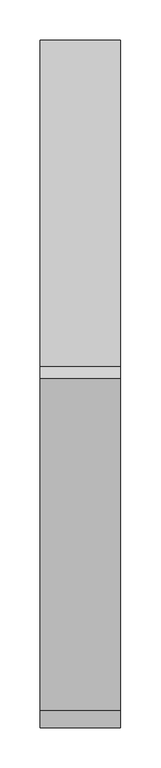
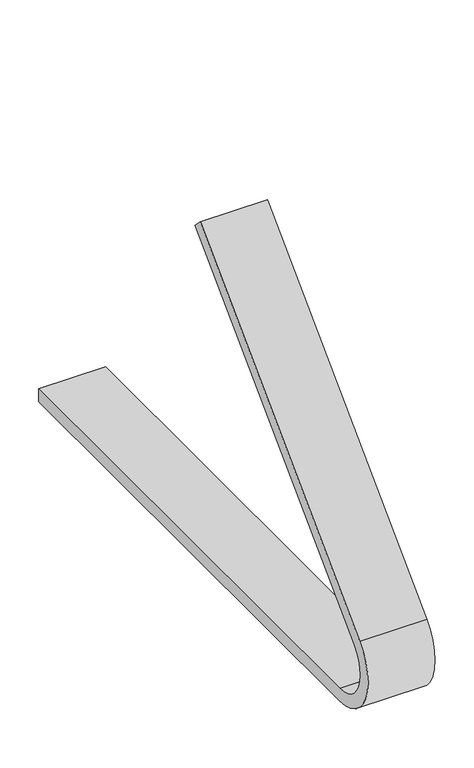
"""IFC4 building model written with IfcOpenShell, lengths in millimetres: proxy geometry."""

import ifcopenshell
import ifcopenshell.guid

model = None  # the IFC model being written
_history = None  # IfcOwnerHistory: only IFC2X3 demands one
_inside = {}  # id of a spatial element -> (the spatial element, [elements in it])
_under = {}  # id of a project, library or spatial element -> (it, [spatial elements below it])
_declared = {}  # id of a project -> (the project, [libraries it declares])
_typed = {}  # id of a type object -> (the type object, [elements of that type])
_made_of = {}  # id of a material, layer set ... -> (it, [elements and type objects made of it])


def new_model(schema):
    """Start an empty IFC model of exactly this schema.

    Asked for "IFC4X3", IfcOpenShell would pick the latest addendum, in which some entities
    have other attributes; the version numbers below select the first issue.
    IFC2X3 requires an IfcOwnerHistory on every rooted entity: one is made here for all.
    """
    global model, _history
    if schema == "IFC4X3":
        model = ifcopenshell.file(schema_version=(4, 3, 0, 0))
    else:
        model = ifcopenshell.file(schema=schema)
    _inside.clear()
    _under.clear()
    _declared.clear()
    _typed.clear()
    _made_of.clear()
    _history = None
    if model.schema == "IFC2X3":
        org = make("IfcOrganization", Name="unknown")
        user = make(
            "IfcPersonAndOrganization",
            ThePerson=make("IfcPerson", FamilyName="unknown"),
            TheOrganization=org,
        )
        app = make(
            "IfcApplication",
            ApplicationDeveloper=org,
            Version="unknown",
            ApplicationFullName="unknown",
            ApplicationIdentifier="unknown",
        )
        _history = make(
            "IfcOwnerHistory",
            OwningUser=user,
            OwningApplication=app,
            ChangeAction="ADDED",
            CreationDate=0,
        )
    return model


def make(cls, **values):
    """One entity of the class cls with the attributes given. An attribute that is None is left unset."""
    return model.create_entity(
        cls, **{name: value for name, value in values.items() if value is not None}
    )


def rooted(cls, **values):
    """An entity with a GlobalId (a new one), such as an element, a storey or a relation."""
    return make(cls, GlobalId=ifcopenshell.guid.new(), OwnerHistory=_history, **values)


def si_unit(unit_type, name, prefix=None):
    """IfcSIUnit, for example si_unit("LENGTHUNIT", "METRE", prefix="MILLI")."""
    return make("IfcSIUnit", UnitType=unit_type, Prefix=prefix, Name=name)


def assignment(units):
    """IfcUnitAssignment: the units of a project."""
    return None if units is None else make("IfcUnitAssignment", Units=units)


def point(xyz):
    """IfcCartesianPoint."""
    return None if xyz is None else make("IfcCartesianPoint", Coordinates=xyz)


def direction(xyz):
    """IfcDirection."""
    return None if xyz is None else make("IfcDirection", DirectionRatios=xyz)


def frame(location, z_axis=None, x_axis=None):
    """IfcAxis2Placement3D, a coordinate frame: its origin and axes. An axis left out is left unset."""
    return make(
        "IfcAxis2Placement3D",
        Location=point(location),
        Axis=direction(z_axis),
        RefDirection=direction(x_axis),
    )


def frame_2d(location, x_axis=None):
    """IfcAxis2Placement2D, a coordinate frame in the plane: its origin and x axis."""
    return make(
        "IfcAxis2Placement2D", Location=point(location), RefDirection=direction(x_axis)
    )


def origin():
    """The frame at (0, 0, 0) with its axes left unset."""
    return frame((0.0, 0.0, 0.0))


def place(relative_to, where):
    """IfcLocalPlacement: puts the frame where relative to a parent placement (None: the world)."""
    return make(
        "IfcLocalPlacement", PlacementRelTo=relative_to, RelativePlacement=where
    )


def context(
    kind, dimensions, precision=None, world=None, true_north=None, identifier=None
):
    """IfcGeometricRepresentationContext, for example the 3D "Model" context."""
    return make(
        "IfcGeometricRepresentationContext",
        ContextIdentifier=identifier,
        ContextType=kind,
        CoordinateSpaceDimension=dimensions,
        Precision=precision,
        WorldCoordinateSystem=world,
        TrueNorth=true_north,
    )


def project(units=None, contexts=None):
    """IfcProject with its units and contexts."""
    return rooted(
        "IfcProject",
        Name="project",
        RepresentationContexts=contexts,
        UnitsInContext=assignment(units),
    )


def spatial(cls, under=None, at=None, **own):
    """A site, building, storey or space (cls), placed at a placement, below another one or the project."""
    s = rooted(cls, ObjectPlacement=at, **own)
    if under is not None:
        _under.setdefault(under.id(), (under, []))[1].append(s)
    return s


def polyline(points):
    """IfcPolyline through the points."""
    return make("IfcPolyline", Points=[point(p) for p in points])


def circle_curve(where, radius):
    """IfcCircle in the frame where."""
    return make("IfcCircle", Position=where, Radius=radius)


def trimmed(basis, trim1, trim2, sense, master):
    """IfcTrimmedCurve: the piece of a basis curve between two trims."""
    return make(
        "IfcTrimmedCurve",
        BasisCurve=basis,
        Trim1=trim1,
        Trim2=trim2,
        SenseAgreement=sense,
        MasterRepresentation=master,
    )


def segment(curve, same_sense, transition):
    """IfcCompositeCurveSegment."""
    return make(
        "IfcCompositeCurveSegment",
        Transition=transition,
        SameSense=same_sense,
        ParentCurve=curve,
    )


def composite_curve(segments, self_intersect=None):
    """IfcCompositeCurve: segments joined end to end."""
    return make("IfcCompositeCurve", Segments=segments, SelfIntersect=self_intersect)


def outline(outer, holes=None, kind="AREA"):
    """IfcArbitraryClosedProfileDef: a profile drawn as a closed curve; with holes, ...WithVoids."""
    if holes is None:
        return make("IfcArbitraryClosedProfileDef", ProfileType=kind, OuterCurve=outer)
    return make(
        "IfcArbitraryProfileDefWithVoids",
        ProfileType=kind,
        OuterCurve=outer,
        InnerCurves=holes,
    )


def extrude(swept, where, along, depth):
    """IfcExtrudedAreaSolid: the profile swept, set in the frame where, extruded along a direction by depth."""
    return make(
        "IfcExtrudedAreaSolid",
        SweptArea=swept,
        Position=where,
        ExtrudedDirection=direction(along),
        Depth=depth,
    )


def shape(context_of_items, identifier, shape_type, items):
    """IfcShapeRepresentation: the items that make up one representation, for example the "Body"."""
    return make(
        "IfcShapeRepresentation",
        ContextOfItems=context_of_items,
        RepresentationIdentifier=identifier,
        RepresentationType=shape_type,
        Items=items,
    )


def source(mapping_origin, context_of_items, identifier, shape_type, items):
    """IfcRepresentationMap: a shape defined once, which mapped items show again and again."""
    return make(
        "IfcRepresentationMap",
        MappingOrigin=mapping_origin,
        MappedRepresentation=shape(context_of_items, identifier, shape_type, items),
    )


def transform(
    local_origin,
    x_axis=None,
    y_axis=None,
    z_axis=None,
    scale=None,
    scale2=None,
    scale3=None,
    uniform=True,
):
    """IfcCartesianTransformationOperator3D, or its non-uniform kind. x_axis, y_axis, z_axis: its Axis1, 2, 3."""
    if uniform:
        return make(
            "IfcCartesianTransformationOperator3D",
            Axis1=direction(x_axis),
            Axis2=direction(y_axis),
            LocalOrigin=point(local_origin),
            Scale=scale,
            Axis3=direction(z_axis),
        )
    return make(
        "IfcCartesianTransformationOperator3DnonUniform",
        Axis1=direction(x_axis),
        Axis2=direction(y_axis),
        LocalOrigin=point(local_origin),
        Scale=scale,
        Axis3=direction(z_axis),
        Scale2=scale2,
        Scale3=scale3,
    )


def mapped(mapping_source, mapping_target):
    """IfcMappedItem: shows the shape of a source again, moved by a transform."""
    return make(
        "IfcMappedItem", MappingSource=mapping_source, MappingTarget=mapping_target
    )


def made_of(thing, what):
    """Note that an element or type object is made of a material, layer set ...; save() writes the relation."""
    if what is not None:
        _made_of.setdefault(what.id(), (what, []))[1].append(thing)
    return thing


def element(
    cls,
    number,
    at=None,
    inside=None,
    cuts=None,
    type_object=None,
    material=None,
    context=None,
    identifier="Body",
    shape_type=None,
    held_by="IfcProductDefinitionShape",
    body=None,
    shapes=None,
    **own,
):
    """One element of the class cls, such as IfcWall. Its Tag is "e" and its number.

    at: its placement. inside: the storey or other place that contains it. cuts: it is an
    opening in that element (IfcRelVoidsElement). A single representation is given by context,
    identifier, shape_type and body (its items); several are given by shapes. held_by: the class
    of the entity that holds the representations. save() writes the other relations.
    """
    e = rooted(cls, Tag="e%d" % number, ObjectPlacement=at, **own)
    if body is not None:
        shapes = [shape(context, identifier, shape_type, body)]
    if shapes is not None:
        e.Representation = make(held_by, Representations=shapes)
    if inside is not None:
        _inside.setdefault(inside.id(), (inside, []))[1].append(e)
    if cuts is not None:
        rooted(
            "IfcRelVoidsElement", RelatingBuildingElement=cuts, RelatedOpeningElement=e
        )
    if type_object is not None:
        _typed.setdefault(type_object.id(), (type_object, []))[1].append(e)
    return made_of(e, material)


def aggregate(whole, parts):
    """IfcRelAggregates: a whole, such as a stair, and the parts it consists of."""
    return rooted("IfcRelAggregates", RelatingObject=whole, RelatedObjects=parts)


def save(model, path):
    """Write the relations noted so far, then the file.

    IfcRelAggregates (storeys below a building ...), IfcRelContainedInSpatialStructure (elements
    in a storey), IfcRelDefinesByType, IfcRelAssociatesMaterial and IfcRelDeclares: one each for
    every whole, place, type object, material and project.
    """
    for whole, parts in _under.values():
        aggregate(whole, parts)
    for where, things in _inside.values():
        rooted(
            "IfcRelContainedInSpatialStructure",
            RelatedElements=things,
            RelatingStructure=where,
        )
    for kind, things in _typed.values():
        rooted("IfcRelDefinesByType", RelatedObjects=things, RelatingType=kind)
    for what, things in _made_of.values():
        rooted("IfcRelAssociatesMaterial", RelatedObjects=things, RelatingMaterial=what)
    for by, libraries in _declared.values():
        rooted("IfcRelDeclares", RelatingContext=by, RelatedDefinitions=libraries)
    model.write(path)


def generic_models_cefea839(model_context):
    return source(origin(), model_context, "Body", "SweptSolid", [
        extrude(outline(composite_curve([segment(polyline([(-210.9200601, -246.8258534), (-196.7779245, -260.967989), (-609.1662829, -673.3563474)]), True, "CONTINUOUS"), segment(trimmed(circle_curve(frame_2d((-571.1550867, -711.3675436)), 53.7559492), [point((-609.1662829, -673.3563474))], [point((-571.1550867, -765.1234927))], True, "CARTESIAN"), True, "CONTINUOUS"), segment(polyline([(-571.1550867, -765.1234927), (208.7685453, -765.1234927), (208.7685453, -785.1234927), (-570.9178257, -785.1234927)]), True, "CONTINUOUS"), segment(trimmed(circle_curve(frame_2d((-570.9178257, -711.2692669)), 73.8542259), [point((-570.9178257, -785.1234927))], [point((-623.1406497, -659.0464429))], False, "CARTESIAN"), True, "CONTINUOUS"), segment(polyline([(-623.1406497, -659.0464429), (-210.9200601, -246.8258534)]), True, "CONTINUOUS")], self_intersect=False)), frame((277.816976, 0.0, 0.0), z_axis=(1.0, 0.0, 0.0), x_axis=(0.0, 1.0, 0.0)), (0.0, 0.0, 1.0), 99.9158586),
    ])


if __name__ == "__main__":
    model = new_model("IFC4")
    model_context = context("Model", 3, world=origin())
    ifc_project = project(units=[si_unit("LENGTHUNIT", "METRE", prefix="MILLI")], contexts=[model_context])
    site = spatial("IfcSite", under=ifc_project)
    building = spatial("IfcBuilding", under=site)
    placement = place(None, origin())
    generic_models_shape = generic_models_cefea839(model_context)
    element("IfcBuildingElementProxy", 1, Name="Generic Models", at=placement, inside=building, context=model_context, shape_type="MappedRepresentation", body=[
        mapped(generic_models_shape, transform((0.0, 0.0, 0.0), x_axis=(1.0, 0.0, 0.0), y_axis=(0.0, 1.0, 0.0), z_axis=(0.0, 0.0, 1.0))),
    ])
    save(model, "model.ifc")
